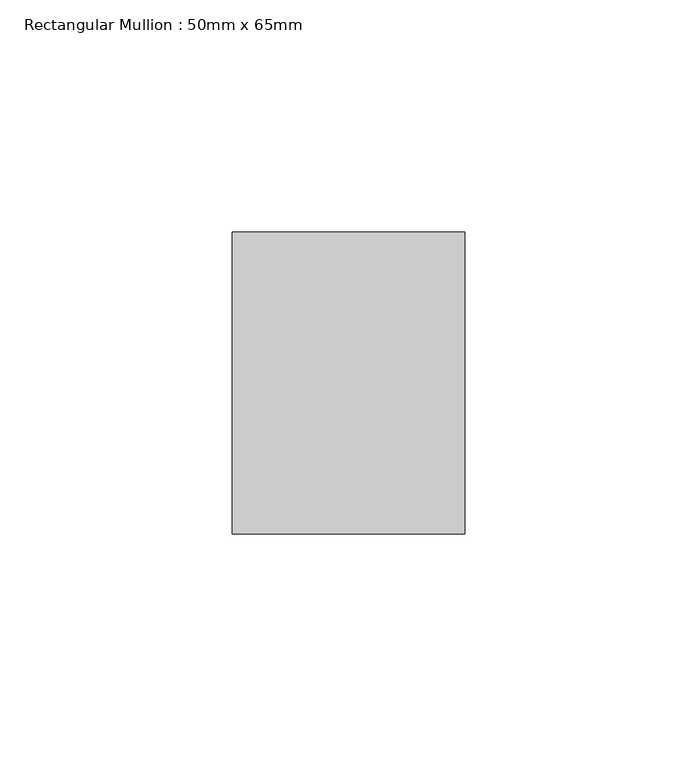
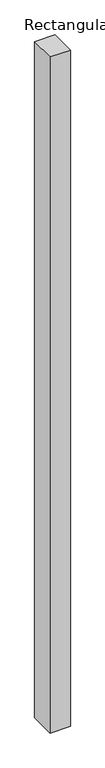
"""IFC4 building model written with IfcOpenShell, lengths in millimetres: member geometry, Rectangular Mullion : 50mm x 65mm."""

from ifc_helpers import new_model, si_unit, frame, origin, place, context, project, spatial, polyline, outline, extrude, source, transform, mapped, element, save


def rectangular_mullion_50mm_x_65mm_b37bbead(model_context):
    return source(origin(), model_context, "Body", "SweptSolid", [
        extrude(outline(polyline([(25.0, 32.5), (25.0, -32.5), (-25.0, -32.5), (-25.0, 32.5), (25.0, 32.5)])), frame((0.0, 0.0, -1754.4948747), z_axis=(0.0, 0.0, 1.0), x_axis=(1.0, 0.0, 0.0)), (0.0, 0.0, 1.0), 1754.4948747),
    ])


if __name__ == "__main__":
    model = new_model("IFC4")
    model_context = context("Model", 3, world=origin())
    ifc_project = project(units=[si_unit("LENGTHUNIT", "METRE", prefix="MILLI")], contexts=[model_context])
    site = spatial("IfcSite", under=ifc_project)
    building = spatial("IfcBuilding", under=site)
    placement = place(None, origin())
    rectangular_mullion_50mm_x_65mm_shape = rectangular_mullion_50mm_x_65mm_b37bbead(model_context)
    element("IfcMember", 1, ObjectType="Rectangular Mullion : 50mm x 65mm", at=placement, inside=building, context=model_context, shape_type="MappedRepresentation", body=[
        mapped(rectangular_mullion_50mm_x_65mm_shape, transform((0.0, 0.0, 0.0), x_axis=(1.0, 0.0, 0.0), y_axis=(0.0, 1.0, 0.0), z_axis=(0.0, 0.0, 1.0))),
    ])
    save(model, "model.ifc")
